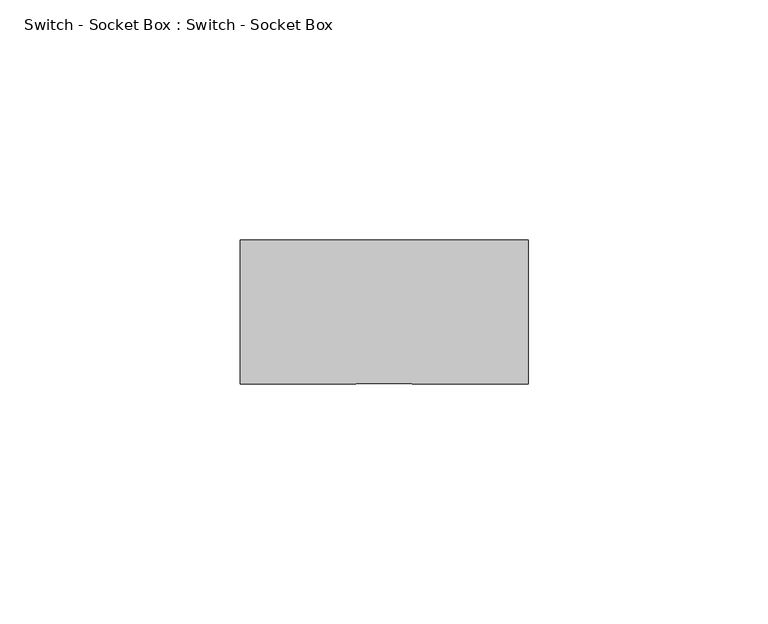
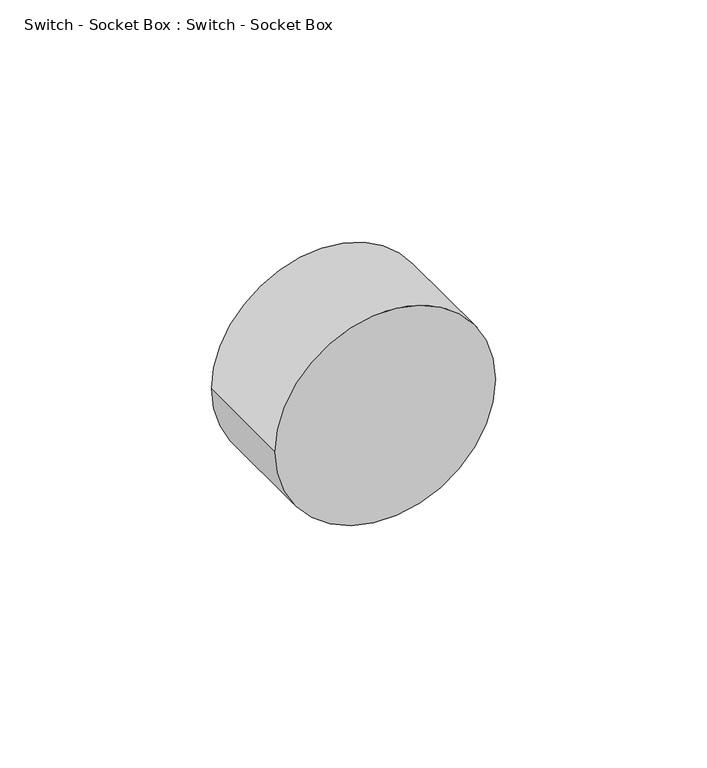
"""IFC4 building model written with IfcOpenShell, lengths in millimetres: proxy geometry, Switch - Socket Box : Switch - Socket Box."""

from ifc_helpers import new_model, si_unit, point, frame, origin, origin_2d, place, context, project, spatial, circle_curve, trimmed, segment, composite_curve, outline, extrude, source, transform, mapped, element, save


def switch_socket_box_switch_socket_box_e77e890f(model_context):
    return source(origin(), model_context, "Body", "SweptSolid", [
        extrude(outline(composite_curve([segment(trimmed(circle_curve(origin_2d(), 30.0), [point((0.0, -30.0))], [point((0.0, 30.0))], False, "CARTESIAN"), True, "CONTINUOUS"), segment(trimmed(circle_curve(origin_2d(), 30.0), [point((0.0, 30.0))], [point((0.0, -30.0))], False, "CARTESIAN"), True, "CONTINUOUS")], self_intersect=False)), frame((0.0, -30.0, 0.0), z_axis=(0.0, 1.0, 0.0), x_axis=(0.0, 0.0, 1.0)), (0.0, 0.0, 1.0), 30.0),
    ])


if __name__ == "__main__":
    model = new_model("IFC4")
    model_context = context("Model", 3, world=origin())
    ifc_project = project(units=[si_unit("LENGTHUNIT", "METRE", prefix="MILLI")], contexts=[model_context])
    site = spatial("IfcSite", under=ifc_project)
    building = spatial("IfcBuilding", under=site)
    placement = place(None, origin())
    switch_socket_box_switch_socket_box_shape = switch_socket_box_switch_socket_box_e77e890f(model_context)
    element("IfcBuildingElementProxy", 1, Name="Switch - Socket Box : Switch - Socket Box", ObjectType="Switch - Socket Box : Switch - Socket Box", at=placement, inside=building, context=model_context, shape_type="MappedRepresentation", body=[
        mapped(switch_socket_box_switch_socket_box_shape, transform((0.0, 0.0, 0.0), x_axis=(1.0, 0.0, 0.0), y_axis=(0.0, 1.0, 0.0), z_axis=(0.0, 0.0, 1.0))),
    ])
    save(model, "model.ifc")
